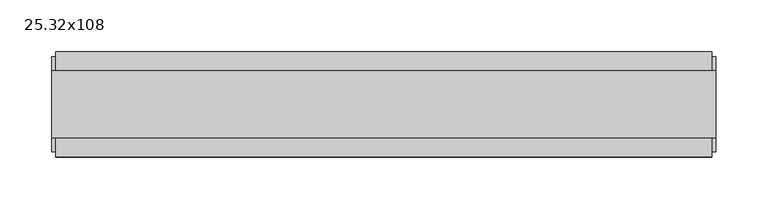
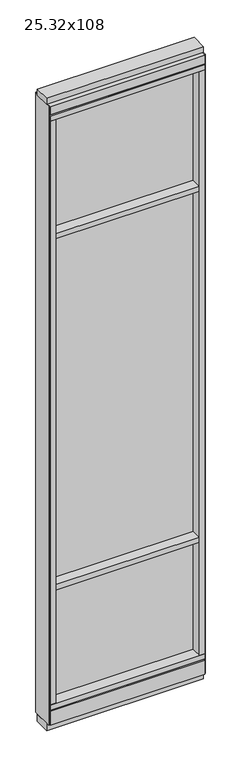
"""IFC4 building model written with IfcOpenShell, lengths in millimetres: furniture geometry, 25.32x108."""

import ifcopenshell
import ifcopenshell.guid

model = None  # the IFC model being written
_history = None  # IfcOwnerHistory: only IFC2X3 demands one
_inside = {}  # id of a spatial element -> (the spatial element, [elements in it])
_under = {}  # id of a project, library or spatial element -> (it, [spatial elements below it])
_declared = {}  # id of a project -> (the project, [libraries it declares])
_typed = {}  # id of a type object -> (the type object, [elements of that type])
_made_of = {}  # id of a material, layer set ... -> (it, [elements and type objects made of it])


def new_model(schema):
    """Start an empty IFC model of exactly this schema.

    Asked for "IFC4X3", IfcOpenShell would pick the latest addendum, in which some entities
    have other attributes; the version numbers below select the first issue.
    IFC2X3 requires an IfcOwnerHistory on every rooted entity: one is made here for all.
    """
    global model, _history
    if schema == "IFC4X3":
        model = ifcopenshell.file(schema_version=(4, 3, 0, 0))
    else:
        model = ifcopenshell.file(schema=schema)
    _inside.clear()
    _under.clear()
    _declared.clear()
    _typed.clear()
    _made_of.clear()
    _history = None
    if model.schema == "IFC2X3":
        org = make("IfcOrganization", Name="unknown")
        user = make(
            "IfcPersonAndOrganization",
            ThePerson=make("IfcPerson", FamilyName="unknown"),
            TheOrganization=org,
        )
        app = make(
            "IfcApplication",
            ApplicationDeveloper=org,
            Version="unknown",
            ApplicationFullName="unknown",
            ApplicationIdentifier="unknown",
        )
        _history = make(
            "IfcOwnerHistory",
            OwningUser=user,
            OwningApplication=app,
            ChangeAction="ADDED",
            CreationDate=0,
        )
    return model


def make(cls, **values):
    """One entity of the class cls with the attributes given. An attribute that is None is left unset."""
    return model.create_entity(
        cls, **{name: value for name, value in values.items() if value is not None}
    )


def rooted(cls, **values):
    """An entity with a GlobalId (a new one), such as an element, a storey or a relation."""
    return make(cls, GlobalId=ifcopenshell.guid.new(), OwnerHistory=_history, **values)


def si_unit(unit_type, name, prefix=None):
    """IfcSIUnit, for example si_unit("LENGTHUNIT", "METRE", prefix="MILLI")."""
    return make("IfcSIUnit", UnitType=unit_type, Prefix=prefix, Name=name)


def assignment(units):
    """IfcUnitAssignment: the units of a project."""
    return None if units is None else make("IfcUnitAssignment", Units=units)


def point(xyz):
    """IfcCartesianPoint."""
    return None if xyz is None else make("IfcCartesianPoint", Coordinates=xyz)


def direction(xyz):
    """IfcDirection."""
    return None if xyz is None else make("IfcDirection", DirectionRatios=xyz)


def frame(location, z_axis=None, x_axis=None):
    """IfcAxis2Placement3D, a coordinate frame: its origin and axes. An axis left out is left unset."""
    return make(
        "IfcAxis2Placement3D",
        Location=point(location),
        Axis=direction(z_axis),
        RefDirection=direction(x_axis),
    )


def origin():
    """The frame at (0, 0, 0) with its axes left unset."""
    return frame((0.0, 0.0, 0.0))


def origin_with_axes():
    """The frame at (0, 0, 0) with the z axis (0, 0, 1) and the x axis (1, 0, 0) written out."""
    return frame((0.0, 0.0, 0.0), z_axis=(0.0, 0.0, 1.0), x_axis=(1.0, 0.0, 0.0))


def place(relative_to, where):
    """IfcLocalPlacement: puts the frame where relative to a parent placement (None: the world)."""
    return make(
        "IfcLocalPlacement", PlacementRelTo=relative_to, RelativePlacement=where
    )


def context(
    kind, dimensions, precision=None, world=None, true_north=None, identifier=None
):
    """IfcGeometricRepresentationContext, for example the 3D "Model" context."""
    return make(
        "IfcGeometricRepresentationContext",
        ContextIdentifier=identifier,
        ContextType=kind,
        CoordinateSpaceDimension=dimensions,
        Precision=precision,
        WorldCoordinateSystem=world,
        TrueNorth=true_north,
    )


def project(units=None, contexts=None):
    """IfcProject with its units and contexts."""
    return rooted(
        "IfcProject",
        Name="project",
        RepresentationContexts=contexts,
        UnitsInContext=assignment(units),
    )


def spatial(cls, under=None, at=None, **own):
    """A site, building, storey or space (cls), placed at a placement, below another one or the project."""
    s = rooted(cls, ObjectPlacement=at, **own)
    if under is not None:
        _under.setdefault(under.id(), (under, []))[1].append(s)
    return s


def polyline(points):
    """IfcPolyline through the points."""
    return make("IfcPolyline", Points=[point(p) for p in points])


def outline(outer, holes=None, kind="AREA"):
    """IfcArbitraryClosedProfileDef: a profile drawn as a closed curve; with holes, ...WithVoids."""
    if holes is None:
        return make("IfcArbitraryClosedProfileDef", ProfileType=kind, OuterCurve=outer)
    return make(
        "IfcArbitraryProfileDefWithVoids",
        ProfileType=kind,
        OuterCurve=outer,
        InnerCurves=holes,
    )


def extrude(swept, where, along, depth):
    """IfcExtrudedAreaSolid: the profile swept, set in the frame where, extruded along a direction by depth."""
    return make(
        "IfcExtrudedAreaSolid",
        SweptArea=swept,
        Position=where,
        ExtrudedDirection=direction(along),
        Depth=depth,
    )


def shape(context_of_items, identifier, shape_type, items):
    """IfcShapeRepresentation: the items that make up one representation, for example the "Body"."""
    return make(
        "IfcShapeRepresentation",
        ContextOfItems=context_of_items,
        RepresentationIdentifier=identifier,
        RepresentationType=shape_type,
        Items=items,
    )


def source(mapping_origin, context_of_items, identifier, shape_type, items):
    """IfcRepresentationMap: a shape defined once, which mapped items show again and again."""
    return make(
        "IfcRepresentationMap",
        MappingOrigin=mapping_origin,
        MappedRepresentation=shape(context_of_items, identifier, shape_type, items),
    )


def transform(
    local_origin,
    x_axis=None,
    y_axis=None,
    z_axis=None,
    scale=None,
    scale2=None,
    scale3=None,
    uniform=True,
):
    """IfcCartesianTransformationOperator3D, or its non-uniform kind. x_axis, y_axis, z_axis: its Axis1, 2, 3."""
    if uniform:
        return make(
            "IfcCartesianTransformationOperator3D",
            Axis1=direction(x_axis),
            Axis2=direction(y_axis),
            LocalOrigin=point(local_origin),
            Scale=scale,
            Axis3=direction(z_axis),
        )
    return make(
        "IfcCartesianTransformationOperator3DnonUniform",
        Axis1=direction(x_axis),
        Axis2=direction(y_axis),
        LocalOrigin=point(local_origin),
        Scale=scale,
        Axis3=direction(z_axis),
        Scale2=scale2,
        Scale3=scale3,
    )


def mapped(mapping_source, mapping_target):
    """IfcMappedItem: shows the shape of a source again, moved by a transform."""
    return make(
        "IfcMappedItem", MappingSource=mapping_source, MappingTarget=mapping_target
    )


def made_of(thing, what):
    """Note that an element or type object is made of a material, layer set ...; save() writes the relation."""
    if what is not None:
        _made_of.setdefault(what.id(), (what, []))[1].append(thing)
    return thing


def element(
    cls,
    number,
    at=None,
    inside=None,
    cuts=None,
    type_object=None,
    material=None,
    context=None,
    identifier="Body",
    shape_type=None,
    held_by="IfcProductDefinitionShape",
    body=None,
    shapes=None,
    **own,
):
    """One element of the class cls, such as IfcWall. Its Tag is "e" and its number.

    at: its placement. inside: the storey or other place that contains it. cuts: it is an
    opening in that element (IfcRelVoidsElement). A single representation is given by context,
    identifier, shape_type and body (its items); several are given by shapes. held_by: the class
    of the entity that holds the representations. save() writes the other relations.
    """
    e = rooted(cls, Tag="e%d" % number, ObjectPlacement=at, **own)
    if body is not None:
        shapes = [shape(context, identifier, shape_type, body)]
    if shapes is not None:
        e.Representation = make(held_by, Representations=shapes)
    if inside is not None:
        _inside.setdefault(inside.id(), (inside, []))[1].append(e)
    if cuts is not None:
        rooted(
            "IfcRelVoidsElement", RelatingBuildingElement=cuts, RelatedOpeningElement=e
        )
    if type_object is not None:
        _typed.setdefault(type_object.id(), (type_object, []))[1].append(e)
    return made_of(e, material)


def aggregate(whole, parts):
    """IfcRelAggregates: a whole, such as a stair, and the parts it consists of."""
    return rooted("IfcRelAggregates", RelatingObject=whole, RelatedObjects=parts)


def save(model, path):
    """Write the relations noted so far, then the file.

    IfcRelAggregates (storeys below a building ...), IfcRelContainedInSpatialStructure (elements
    in a storey), IfcRelDefinesByType, IfcRelAssociatesMaterial and IfcRelDeclares: one each for
    every whole, place, type object, material and project.
    """
    for whole, parts in _under.values():
        aggregate(whole, parts)
    for where, things in _inside.values():
        rooted(
            "IfcRelContainedInSpatialStructure",
            RelatedElements=things,
            RelatingStructure=where,
        )
    for kind, things in _typed.values():
        rooted("IfcRelDefinesByType", RelatedObjects=things, RelatingType=kind)
    for what, things in _made_of.values():
        rooted("IfcRelAssociatesMaterial", RelatedObjects=things, RelatingMaterial=what)
    for by, libraries in _declared.values():
        rooted("IfcRelDeclares", RelatingContext=by, RelatedDefinitions=libraries)
    model.write(path)


def furniture_25_32x108_0ba63df7(model_context):
    return source(origin(), model_context, "Body", "SweptSolid", [
        extrude(outline(polyline([(-355.4385229, 0.5622784), (235.3654771, 0.5622784), (235.3654771, -9.5977216), (-355.4385229, -9.5977216), (-355.4385229, 0.5622784)])), frame((0.0, 0.0, 2155.825), z_axis=(0.0, 0.0, 1.0), x_axis=(1.0, 0.0, 0.0)), (0.0, 0.0, 1.0), 498.475),
        extrude(outline(polyline([(-355.4385229, 0.5622784), (235.3654771, 0.5622784), (235.3654771, -9.5977216), (-355.4385229, -9.5977216), (-355.4385229, 0.5622784)])), frame((0.0, 0.0, 631.825), z_axis=(0.0, 0.0, 1.0), x_axis=(1.0, 0.0, 0.0)), (0.0, 0.0, 1.0), 1501.775),
        extrude(outline(polyline([(-355.4385229, -52.3332216), (-355.4385229, 43.2977784), (235.3654771, 43.2977784), (235.3654771, -52.3332216), (-355.4385229, -52.3332216)])), frame((0.0, 0.0, 2133.6), z_axis=(0.0, 0.0, 1.0), x_axis=(1.0, 0.0, 0.0)), (0.0, 0.0, 1.0), 22.225),
        extrude(outline(polyline([(-355.4385229, -52.3332216), (-355.4385229, 43.2977784), (235.3654771, 43.2977784), (235.3654771, -52.3332216), (-355.4385229, -52.3332216)])), frame((0.0, 0.0, 609.6), z_axis=(0.0, 0.0, 1.0), x_axis=(1.0, 0.0, 0.0)), (0.0, 0.0, 1.0), 22.225),
        extrude(outline(polyline([(235.3654771, -9.5977216), (-355.4385229, -9.5977216), (-355.4385229, 0.5622784), (235.3654771, 0.5622784), (235.3654771, -9.5977216)])), frame((0.0, 0.0, 120.523), z_axis=(0.0, 0.0, 1.0), x_axis=(1.0, 0.0, 0.0)), (0.0, 0.0, 1.0), 489.077),
        extrude(outline(polyline([(-55.3177216, 93.345), (-50.3647216, 93.345), (-50.3647216, 98.298), (41.3292784, 98.298), (41.3292784, 93.345), (46.2822784, 93.345), (46.2822784, 31.75), (-55.3177216, 31.75), (-55.3177216, 93.345)])), frame((-377.6635229, 0.0, 0.0), z_axis=(1.0, 0.0, 0.0), x_axis=(0.0, 1.0, 0.0)), (0.0, 0.0, 1.0), 635.254),
        extrude(outline(polyline([(-377.6635229, -55.3177216), (-377.6635229, 46.2822784), (257.5904771, 46.2822784), (257.5904771, -55.3177216), (-377.6635229, -55.3177216)])), frame((0.0, 0.0, 98.298), z_axis=(0.0, 0.0, 1.0), x_axis=(1.0, 0.0, 0.0)), (0.0, 0.0, 1.0), 22.225),
        extrude(outline(polyline([(261.5274771, 27.9942784), (261.5274771, -37.0297216), (-381.6005229, -37.0297216), (-381.6005229, 27.9942784), (261.5274771, 27.9942784)])), origin_with_axes(), (0.0, 0.0, 1.0), 31.75),
        extrude(outline(polyline([(-381.6005229, -37.0297216), (-381.6005229, 27.9942784), (261.5274771, 27.9942784), (261.5274771, -37.0297216), (-381.6005229, -37.0297216)])), frame((0.0, 0.0, 2717.8), z_axis=(0.0, 0.0, 1.0), x_axis=(1.0, 0.0, 0.0)), (0.0, 0.0, 1.0), 25.4),
        extrude(outline(polyline([(-55.3177216, 2681.478), (-55.3177216, 2717.8), (46.2822784, 2717.8), (46.2822784, 2681.478), (41.3292784, 2681.478), (41.3292784, 2676.525), (-50.3647216, 2676.525), (-50.3647216, 2681.478), (-55.3177216, 2681.478)])), frame((-377.6635229, 0.0, 0.0), z_axis=(1.0, 0.0, 0.0), x_axis=(0.0, 1.0, 0.0)), (0.0, 0.0, 1.0), 635.254),
        extrude(outline(polyline([(257.5904771, 46.2822784), (257.5904771, -55.3177216), (-377.6635229, -55.3177216), (-377.6635229, 46.2822784), (257.5904771, 46.2822784)])), frame((0.0, 0.0, 2654.3), z_axis=(0.0, 0.0, 1.0), x_axis=(1.0, 0.0, 0.0)), (0.0, 0.0, 1.0), 22.225),
        extrude(outline(polyline([(235.3654771, -55.3177216), (235.3654771, 46.2822784), (257.5904771, 46.2822784), (257.5904771, -55.3177216), (235.3654771, -55.3177216)])), frame((0.0, 0.0, 120.523), z_axis=(0.0, 0.0, 1.0), x_axis=(1.0, 0.0, 0.0)), (0.0, 0.0, 1.0), 2533.777),
        extrude(outline(polyline([(-355.4385229, -55.3177216), (-377.6635229, -55.3177216), (-377.6635229, 46.2822784), (-355.4385229, 46.2822784), (-355.4385229, -55.3177216)])), frame((0.0, 0.0, 120.523), z_axis=(0.0, 0.0, 1.0), x_axis=(1.0, 0.0, 0.0)), (0.0, 0.0, 1.0), 2533.777),
        extrude(outline(polyline([(261.5274771, -50.3647216), (257.5904771, -50.3647216), (257.5904771, 41.3292784), (261.5274771, 41.3292784), (261.5274771, -50.3647216)])), frame((0.0, 0.0, 31.75), z_axis=(0.0, 0.0, 1.0), x_axis=(1.0, 0.0, 0.0)), (0.0, 0.0, 1.0), 2686.05),
        extrude(outline(polyline([(-381.6005229, -50.3647216), (-381.6005229, 41.3292784), (-377.6635229, 41.3292784), (-377.6635229, -50.3647216), (-381.6005229, -50.3647216)])), frame((0.0, 0.0, 31.75), z_axis=(0.0, 0.0, 1.0), x_axis=(1.0, 0.0, 0.0)), (0.0, 0.0, 1.0), 2686.05),
    ])


if __name__ == "__main__":
    model = new_model("IFC4")
    model_context = context("Model", 3, world=origin())
    ifc_project = project(units=[si_unit("LENGTHUNIT", "METRE", prefix="MILLI")], contexts=[model_context])
    site = spatial("IfcSite", under=ifc_project)
    building = spatial("IfcBuilding", under=site)
    placement = place(None, origin())
    furniture_25_32x108_shape = furniture_25_32x108_0ba63df7(model_context)
    element("IfcFurniture", 1, ObjectType="25.32x108", at=placement, inside=building, context=model_context, shape_type="MappedRepresentation", body=[
        mapped(furniture_25_32x108_shape, transform((0.0, 0.0, 0.0), x_axis=(1.0, 0.0, 0.0), y_axis=(0.0, 1.0, 0.0), z_axis=(0.0, 0.0, 1.0))),
    ])
    save(model, "model.ifc")
